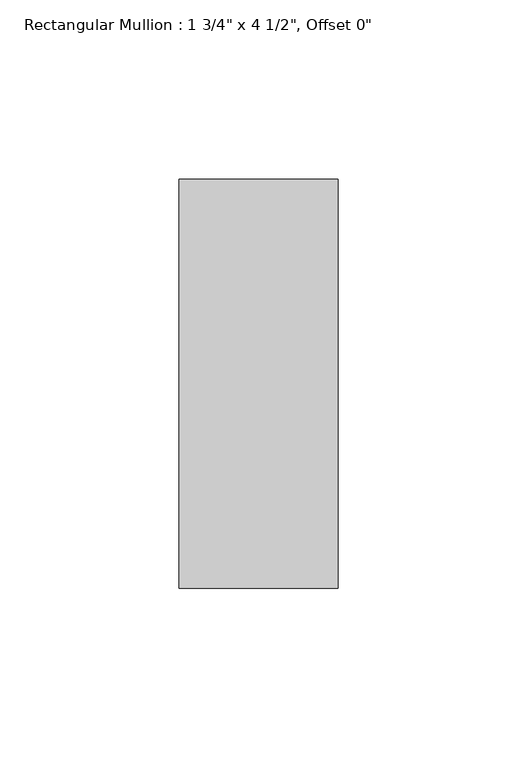
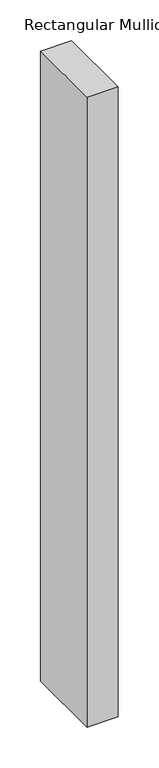
"""IFC4 building model written with IfcOpenShell, lengths in millimetres: member geometry."""

from ifc_helpers import new_model, si_unit, frame, origin, place, context, project, spatial, polyline, outline, extrude, source, transform, mapped, element, save


def member_22e52301(model_context):
    return source(origin(), model_context, "Body", "SweptSolid", [
        extrude(outline(polyline([(22.225, 57.15), (22.225, -57.15), (-22.225, -57.15), (-22.225, 57.15), (22.225, 57.15)])), frame((0.0, 0.0, -946.15), z_axis=(0.0, 0.0, 1.0), x_axis=(1.0, 0.0, 0.0)), (0.0, 0.0, 1.0), 946.15),
    ])


if __name__ == "__main__":
    model = new_model("IFC4")
    model_context = context("Model", 3, world=origin())
    ifc_project = project(units=[si_unit("LENGTHUNIT", "METRE", prefix="MILLI")], contexts=[model_context])
    site = spatial("IfcSite", under=ifc_project)
    building = spatial("IfcBuilding", under=site)
    placement = place(None, origin())
    member_shape = member_22e52301(model_context)
    element("IfcMember", 1, ObjectType="Rectangular Mullion : 1 3/4\" x 4 1/2\", Offset 0\"", at=placement, inside=building, context=model_context, shape_type="MappedRepresentation", body=[
        mapped(member_shape, transform((0.0, 0.0, 0.0), x_axis=(1.0, 0.0, 0.0), y_axis=(0.0, 1.0, 0.0), z_axis=(0.0, 0.0, 1.0))),
    ])
    save(model, "model.ifc")
